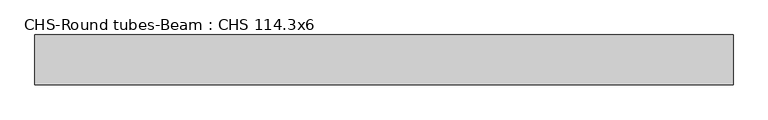
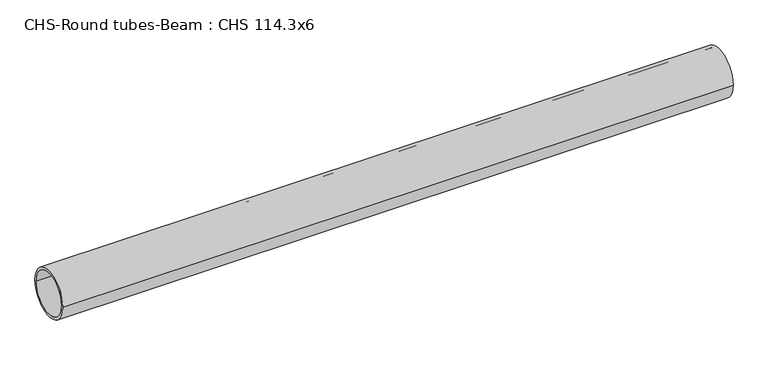
"""IFC4 building model written with IfcOpenShell, lengths in millimetres: beam geometry, CHS-Round tubes-Beam : CHS 114.3x6."""

from ifc_helpers import new_model, si_unit, point, frame, origin, origin_2d, place, context, project, spatial, circle_curve, trimmed, segment, composite_curve, outline, extrude, source, transform, mapped, element, save


def chs_round_tubes_beam_chs_114_3x6_f13494ae(model_context):
    return source(origin(), model_context, "Body", "SweptSolid", [
        extrude(outline(composite_curve([segment(trimmed(circle_curve(origin_2d(), 57.15), [point((57.15, 0.0))], [point((-57.15, 0.0))], False, "CARTESIAN"), True, "CONTINUOUS"), segment(trimmed(circle_curve(origin_2d(), 57.15), [point((-57.15, 0.0))], [point((57.15, 0.0))], False, "CARTESIAN"), True, "CONTINUOUS")], self_intersect=False), holes=[composite_curve([segment(trimmed(circle_curve(origin_2d(), 51.15), [point((51.15, 0.0))], [point((-51.15, 0.0))], True, "CARTESIAN"), True, "CONTINUOUS"), segment(trimmed(circle_curve(origin_2d(), 51.15), [point((-51.15, 0.0))], [point((51.15, 0.0))], True, "CARTESIAN"), True, "CONTINUOUS")], self_intersect=False)]), frame((-789.9013898, 0.0, 0.0), z_axis=(1.0, 0.0, 0.0), x_axis=(0.0, 1.0, 0.0)), (0.0, 0.0, 1.0), 1593.3841854),
    ])


if __name__ == "__main__":
    model = new_model("IFC4")
    model_context = context("Model", 3, world=origin())
    ifc_project = project(units=[si_unit("LENGTHUNIT", "METRE", prefix="MILLI")], contexts=[model_context])
    site = spatial("IfcSite", under=ifc_project)
    building = spatial("IfcBuilding", under=site)
    placement = place(None, origin())
    chs_round_tubes_beam_chs_114_3x6_shape = chs_round_tubes_beam_chs_114_3x6_f13494ae(model_context)
    element("IfcBeam", 1, ObjectType="CHS-Round tubes-Beam : CHS 114.3x6", at=placement, inside=building, context=model_context, shape_type="MappedRepresentation", body=[
        mapped(chs_round_tubes_beam_chs_114_3x6_shape, transform((0.0, 0.0, 0.0), x_axis=(1.0, 0.0, 0.0), y_axis=(0.0, 1.0, 0.0), z_axis=(0.0, 0.0, 1.0))),
    ])
    save(model, "model.ifc")
